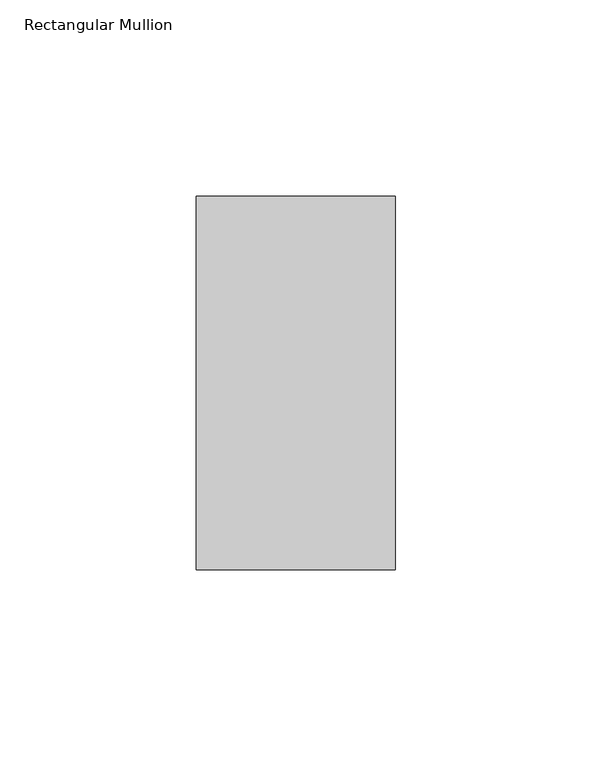
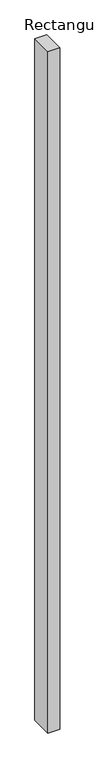
"""IFC4 building model written with IfcOpenShell, lengths in millimetres: member geometry, Rectangular Mullion."""

from ifc_helpers import new_model, si_unit, frame, origin, place, context, project, spatial, polyline, outline, extrude, source, transform, mapped, element, save


def rectangular_mullion_20daf3d7(model_context):
    return source(origin(), model_context, "Body", "SweptSolid", [
        extrude(outline(polyline([(-50.8, -127.1269936), (-50.8, -31.8769936), (-26.6789385, -31.8769936), (0.0, -31.8769936), (0.0, -127.1269936), (-50.8, -127.1269936)])), frame((0.0, 0.0, -3048.0), z_axis=(0.0, 0.0, 1.0), x_axis=(1.0, 0.0, 0.0)), (0.0, 0.0, 1.0), 3048.0),
    ])


if __name__ == "__main__":
    model = new_model("IFC4")
    model_context = context("Model", 3, world=origin())
    ifc_project = project(units=[si_unit("LENGTHUNIT", "METRE", prefix="MILLI")], contexts=[model_context])
    site = spatial("IfcSite", under=ifc_project)
    building = spatial("IfcBuilding", under=site)
    placement = place(None, origin())
    rectangular_mullion_shape = rectangular_mullion_20daf3d7(model_context)
    element("IfcMember", 1, ObjectType="Rectangular Mullion", at=placement, inside=building, context=model_context, shape_type="MappedRepresentation", body=[
        mapped(rectangular_mullion_shape, transform((0.0, 0.0, 0.0), x_axis=(1.0, 0.0, 0.0), y_axis=(0.0, 1.0, 0.0), z_axis=(0.0, 0.0, 1.0))),
    ])
    save(model, "model.ifc")
